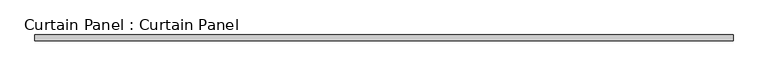
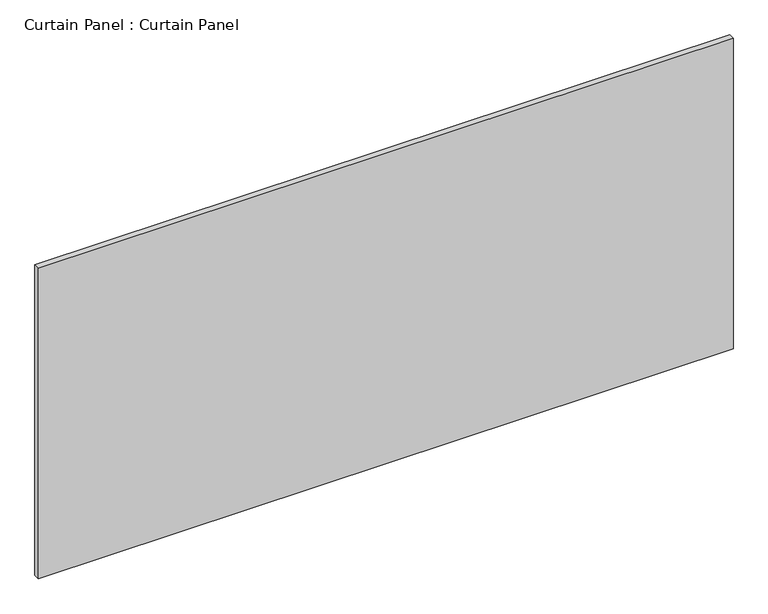
"""IFC4 building model written with IfcOpenShell, lengths in millimetres: plate geometry, Curtain Panel : Curtain Panel."""

from ifc_helpers import new_model, si_unit, frame, origin, place, context, project, spatial, polyline, outline, extrude, source, transform, mapped, element, save


def curtain_panel_curtain_panel_6418dfe1(model_context):
    return source(origin(), model_context, "Body", "SweptSolid", [
        extrude(outline(polyline([(-123752.3555895, -9130.4431787), (-126765.4305895, -9130.4431787), (-126765.4305895, -9105.0431787), (-123752.3555895, -9105.0431787), (-123752.3555895, -9130.4431787)])), frame((0.0, 0.0, 132.953125), z_axis=(0.0, 0.0, 1.0), x_axis=(1.0, 0.0, 0.0)), (0.0, 0.0, 1.0), 1422.4),
    ])


if __name__ == "__main__":
    model = new_model("IFC4")
    model_context = context("Model", 3, world=origin())
    ifc_project = project(units=[si_unit("LENGTHUNIT", "METRE", prefix="MILLI")], contexts=[model_context])
    site = spatial("IfcSite", under=ifc_project)
    building = spatial("IfcBuilding", under=site)
    placement = place(None, origin())
    curtain_panel_curtain_panel_shape = curtain_panel_curtain_panel_6418dfe1(model_context)
    element("IfcPlate", 1, ObjectType="Curtain Panel : Curtain Panel", at=placement, inside=building, context=model_context, shape_type="MappedRepresentation", body=[
        mapped(curtain_panel_curtain_panel_shape, transform((0.0, 0.0, 0.0), x_axis=(1.0, 0.0, 0.0), y_axis=(0.0, 1.0, 0.0), z_axis=(0.0, 0.0, 1.0))),
    ])
    save(model, "model.ifc")
